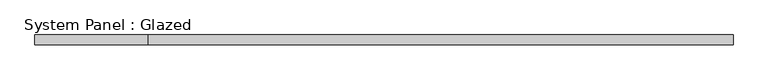
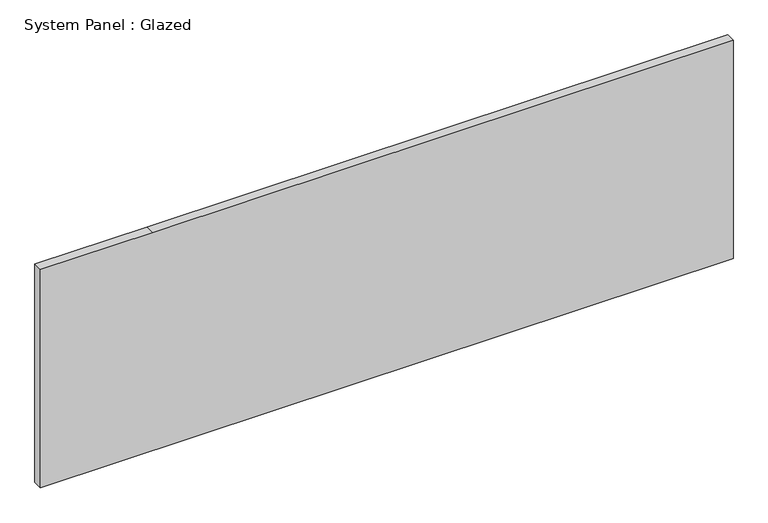
"""IFC4 building model written with IfcOpenShell, lengths in millimetres: plate geometry, System Panel : Glazed."""

from ifc_helpers import new_model, si_unit, frame, origin, place, context, project, spatial, polyline, outline, extrude, source, transform, mapped, element, save


def system_panel_glazed_cd23ce9b(model_context):
    return source(origin(), model_context, "Body", "SweptSolid", [
        extrude(outline(polyline([(0.0, -914.4), (0.0, 914.4), (609.6, 914.4), (609.6, -617.8916262), (609.6, -914.4), (0.0, -914.4)])), frame((0.0, 19.05, 0.0), z_axis=(0.0, 1.0, 0.0), x_axis=(0.0, 0.0, 1.0)), (0.0, 0.0, 1.0), 25.4),
    ])


if __name__ == "__main__":
    model = new_model("IFC4")
    model_context = context("Model", 3, world=origin())
    ifc_project = project(units=[si_unit("LENGTHUNIT", "METRE", prefix="MILLI")], contexts=[model_context])
    site = spatial("IfcSite", under=ifc_project)
    building = spatial("IfcBuilding", under=site)
    placement = place(None, origin())
    system_panel_glazed_shape = system_panel_glazed_cd23ce9b(model_context)
    element("IfcPlate", 1, ObjectType="System Panel : Glazed", at=placement, inside=building, context=model_context, shape_type="MappedRepresentation", body=[
        mapped(system_panel_glazed_shape, transform((0.0, 0.0, 0.0), x_axis=(1.0, 0.0, 0.0), y_axis=(0.0, 1.0, 0.0), z_axis=(0.0, 0.0, 1.0))),
    ])
    save(model, "model.ifc")
